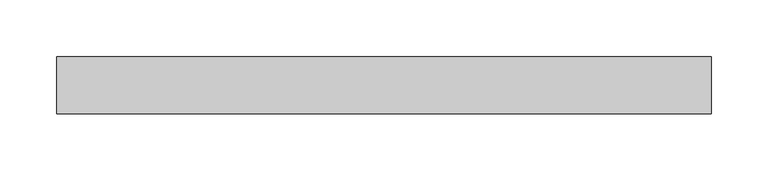
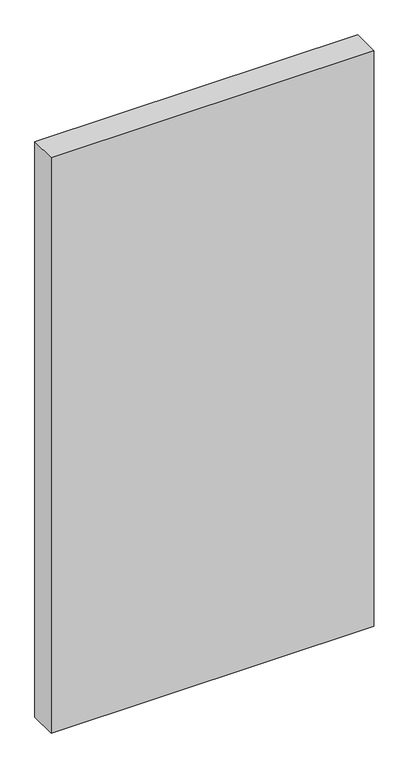
"""IFC4 building model written with IfcOpenShell, lengths in millimetres: plate geometry."""

from ifc_helpers import new_model, si_unit, origin, origin_with_axes, place, context, project, spatial, polyline, outline, extrude, source, transform, mapped, element, save


def plate_20a5c04c(model_context):
    return source(origin(), model_context, "Body", "SweptSolid", [
        extrude(outline(polyline([(288.0564008, -25.0), (-288.0564008, -25.0), (-288.0564008, 25.0), (288.0564008, 25.0), (288.0564008, -25.0)])), origin_with_axes(), (0.0, 0.0, 1.0), 1085.0),
    ])


if __name__ == "__main__":
    model = new_model("IFC4")
    model_context = context("Model", 3, world=origin())
    ifc_project = project(units=[si_unit("LENGTHUNIT", "METRE", prefix="MILLI")], contexts=[model_context])
    site = spatial("IfcSite", under=ifc_project)
    building = spatial("IfcBuilding", under=site)
    placement = place(None, origin())
    plate_shape = plate_20a5c04c(model_context)
    element("IfcPlate", 1, at=placement, inside=building, context=model_context, shape_type="MappedRepresentation", body=[
        mapped(plate_shape, transform((0.0, 0.0, 0.0), x_axis=(1.0, 0.0, 0.0), y_axis=(0.0, 1.0, 0.0), z_axis=(0.0, 0.0, 1.0))),
    ])
    save(model, "model.ifc")
